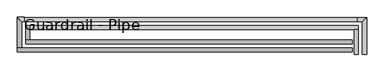
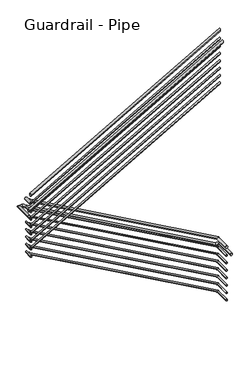
"""IFC4 building model written with IfcOpenShell, lengths in millimetres: railing geometry, Guardrail - Pipe."""

from ifc_helpers import new_model, si_unit, frame, origin, place, context, project, spatial, circle_curve, ellipse_curve, source, transform, mapped, element, save
from ifc_brep_helpers import plane_surface, cylinder_surface, advanced_brep


def guardrail_pipe_84e3a7f3(model_context):
    return source(origin(), model_context, "Body", "AdvancedBrep", [
        advanced_brep(
        [(-10536.8064309, 2520.2151259, 5010.15), (-10574.9064309, 2520.2151259, 5010.15), (-10536.8064309, 2755.1651259, 5010.15), (-10574.9064309, 2755.1651259, 5010.15)],
        [
            (0, 1, circle_curve(frame((-10555.8564309, 2520.2151259, 5010.15), z_axis=(0.0, -1.0, 0.0), x_axis=(-1.0, 0.0, 0.0)), 19.05)),
            (1, 0, circle_curve(frame((-10555.8564309, 2520.2151259, 5010.15), z_axis=(0.0, -1.0, 0.0), x_axis=(-1.0, 0.0, 0.0)), 19.05)),
            (2, 3, circle_curve(frame((-10555.8564309, 2755.1651259, 5010.15), z_axis=(0.0, 1.0, 0.0), x_axis=(-1.0, 0.0, 0.0)), 19.05)),
            (3, 2, circle_curve(frame((-10555.8564309, 2755.1651259, 5010.15), z_axis=(0.0, 1.0, 0.0), x_axis=(-1.0, 0.0, 0.0)), 19.05)),
            (0, 2),
            (3, 1),
        ],
        [
            plane_surface(frame((-10555.8564309, 2520.2151259, 5029.2), z_axis=(0.0, -1.0, 0.0), x_axis=(0.0, 0.0, 1.0))),
            plane_surface(frame((-10555.8564309, 2755.1651259, 5029.2), z_axis=(0.0, 1.0, 0.0), x_axis=(0.0, 0.0, 1.0))),
            cylinder_surface(frame((-10555.8564309, 2520.2151259, 5010.15), z_axis=(0.0, -1.0, 0.0), x_axis=(-1.0, 0.0, 0.0)), 19.05),
        ],
        [
            (0, [[1, 2]]),
            (1, [[3, 4]]),
            (2, [[-1, 5, -4, 6]]),
            (2, [[-2, -6, -3, -5]]),
        ],
    ),
        advanced_brep(
        [(-10536.8064309, 2793.2651259, 5001.8197382), (-10536.8064309, 2755.1651259, 5001.8197382), (-13625.9612561, 2793.2651259, 6731.7610421), (-13625.9612561, 2755.1651259, 6731.7610421)],
        [
            (0, 1, ellipse_curve(frame((-10536.8064309, 2774.2151259, 5001.8197382), z_axis=(1.0, 0.0, 0.0), x_axis=(0.0, 0.0, -1.0)), 21.8337043, 19.05)),
            (1, 0, ellipse_curve(frame((-10536.8064309, 2774.2151259, 5001.8197382), z_axis=(1.0, 0.0, 0.0), x_axis=(0.0, 0.0, -1.0)), 21.8337043, 19.05)),
            (2, 3, ellipse_curve(frame((-13625.9612561, 2774.2151259, 6731.7610421), z_axis=(-1.0, 0.0, 0.0), x_axis=(0.0, 0.0, -1.0)), 21.8337043, 19.05)),
            (3, 2, ellipse_curve(frame((-13625.9612561, 2774.2151259, 6731.7610421), z_axis=(-1.0, 0.0, 0.0), x_axis=(0.0, 0.0, -1.0)), 21.8337043, 19.05)),
            (0, 2),
            (3, 1),
        ],
        [
            plane_surface(frame((-10536.8064309, 2774.2151259, 5023.6534425), z_axis=(1.0, 0.0, 0.0), x_axis=(0.0, -1.0, 0.0))),
            plane_surface(frame((-13625.9612561, 2774.2151259, 6753.5947464), z_axis=(-1.0, 0.0, 0.0), x_axis=(0.0, -1.0, 0.0))),
            cylinder_surface(frame((-10546.1143849, 2774.2151259, 5007.0322364), z_axis=(0.872504257784097, 0.0, -0.48860650850006293), x_axis=(0.0, -1.0, 0.0)), 19.05),
        ],
        [
            (0, [[1, 2]]),
            (1, [[3, 4]]),
            (2, [[-1, 5, -4, 6]]),
            (2, [[-2, -6, -3, -5]]),
        ],
    ),
        advanced_brep(
        [(-13664.0612561, 2793.2651259, 6759.4369565), (-13625.9612561, 2793.2651259, 6759.4369565), (-13664.0612561, 2656.0904418, 6759.4369565), (-13625.9612561, 2656.0904418, 6759.4369565)],
        [
            (0, 1, circle_curve(frame((-13645.0112561, 2793.2651259, 6759.4369565), z_axis=(0.0, 1.0, 0.0), x_axis=(1.0, 0.0, 0.0)), 19.05)),
            (1, 0, circle_curve(frame((-13645.0112561, 2793.2651259, 6759.4369565), z_axis=(0.0, 1.0, 0.0), x_axis=(1.0, 0.0, 0.0)), 19.05)),
            (2, 3, circle_curve(frame((-13645.0112561, 2656.0904418, 6759.4369565), z_axis=(0.0, -1.0, 0.0), x_axis=(1.0, 0.0, 0.0)), 19.05)),
            (3, 2, circle_curve(frame((-13645.0112561, 2656.0904418, 6759.4369565), z_axis=(0.0, -1.0, 0.0), x_axis=(1.0, 0.0, 0.0)), 19.05)),
            (0, 2),
            (3, 1),
        ],
        [
            plane_surface(frame((-13645.0112561, 2793.2651259, 6778.4869565), z_axis=(0.0, 1.0, 0.0), x_axis=(0.0, 0.0, -1.0))),
            plane_surface(frame((-13645.0112561, 2656.0904418, 6778.4869565), z_axis=(0.0, -1.0, 0.0), x_axis=(0.0, 0.0, -1.0))),
            cylinder_surface(frame((-13645.0112561, 2793.2651259, 6759.4369565), z_axis=(0.0, 1.0, 0.0), x_axis=(1.0, 0.0, 0.0)), 19.05),
        ],
        [
            (0, [[1, 2]]),
            (1, [[3, 4]]),
            (2, [[-1, 5, -4, 6]]),
            (2, [[-2, -6, -3, -5]]),
        ],
    ),
        advanced_brep(
        [(-13664.0612561, 2617.9904418, 6919.2077294), (-13664.0612561, 2656.0904418, 6919.2077294), (-10597.0112561, 2617.9904418, 8664.8804567), (-10597.0112561, 2656.0904418, 8664.8804567)],
        [
            (0, 1, ellipse_curve(frame((-13664.0612561, 2637.0404418, 6919.2077294), z_axis=(-1.0, 0.0, 0.0), x_axis=(0.0, 0.0, -1.0)), 21.9195433, 19.05)),
            (1, 0, ellipse_curve(frame((-13664.0612561, 2637.0404418, 6919.2077294), z_axis=(-1.0, 0.0, 0.0), x_axis=(0.0, 0.0, -1.0)), 21.9195433, 19.05)),
            (2, 3, ellipse_curve(frame((-10597.0112561, 2637.0404418, 8664.8804567), z_axis=(1.0, 0.0, 0.0), x_axis=(0.0, 0.0, -1.0)), 21.9195433, 19.05)),
            (3, 2, ellipse_curve(frame((-10597.0112561, 2637.0404418, 8664.8804567), z_axis=(1.0, 0.0, 0.0), x_axis=(0.0, 0.0, -1.0)), 21.9195433, 19.05)),
            (0, 2),
            (3, 1),
        ],
        [
            plane_surface(frame((-13664.0612561, 2637.0404418, 6941.1272727), z_axis=(-1.0, 0.0, 0.0), x_axis=(0.0, 1.0, 0.0))),
            plane_surface(frame((-10597.0112561, 2637.0404418, 8686.8), z_axis=(1.0, 0.0, 0.0), x_axis=(0.0, 1.0, 0.0))),
            cylinder_surface(frame((-13654.6380123, 2637.0404418, 6924.5711568), z_axis=(-0.8690874511905761, 0.0, -0.4946584702429223), x_axis=(0.0, 1.0, 0.0)), 19.05),
        ],
        [
            (0, [[1, 2]]),
            (1, [[3, 4]]),
            (2, [[-1, 5, -4, 6]]),
            (2, [[-2, -6, -3, -5]]),
        ],
    ),
        advanced_brep(
        [(-10543.1564309, 2520.2151259, 4864.1), (-10568.5564309, 2520.2151259, 4864.1), (-10543.1564309, 2761.5151259, 4864.1), (-10568.5564309, 2761.5151259, 4864.1)],
        [
            (0, 1, circle_curve(frame((-10555.8564309, 2520.2151259, 4864.1), z_axis=(0.0, -1.0, 0.0), x_axis=(-1.0, 0.0, 0.0)), 12.7)),
            (1, 0, circle_curve(frame((-10555.8564309, 2520.2151259, 4864.1), z_axis=(0.0, -1.0, 0.0), x_axis=(-1.0, 0.0, 0.0)), 12.7)),
            (2, 3, circle_curve(frame((-10555.8564309, 2761.5151259, 4864.1), z_axis=(0.0, 1.0, 0.0), x_axis=(-1.0, 0.0, 0.0)), 12.7)),
            (3, 2, circle_curve(frame((-10555.8564309, 2761.5151259, 4864.1), z_axis=(0.0, 1.0, 0.0), x_axis=(-1.0, 0.0, 0.0)), 12.7)),
            (0, 2),
            (3, 1),
        ],
        [
            plane_surface(frame((-10555.8564309, 2520.2151259, 4876.8), z_axis=(0.0, -1.0, 0.0), x_axis=(0.0, 0.0, 1.0))),
            plane_surface(frame((-10555.8564309, 2761.5151259, 4876.8), z_axis=(0.0, 1.0, 0.0), x_axis=(0.0, 0.0, 1.0))),
            cylinder_surface(frame((-10555.8564309, 2520.2151259, 4864.1), z_axis=(0.0, -1.0, 0.0), x_axis=(-1.0, 0.0, 0.0)), 12.7),
        ],
        [
            (0, [[1, 2]]),
            (1, [[3, 4]]),
            (2, [[-1, 5, -4, 6]]),
            (2, [[-2, -6, -3, -5]]),
        ],
    ),
        advanced_brep(
        [(-10543.1564309, 2786.9151259, 4860.2536697), (-10543.1564309, 2761.5151259, 4860.2536697), (-13632.3112561, 2786.9151259, 6590.1949735), (-13632.3112561, 2761.5151259, 6590.1949735)],
        [
            (0, 1, ellipse_curve(frame((-10543.1564309, 2774.2151259, 4860.2536697), z_axis=(1.0, 0.0, 0.0), x_axis=(0.0, 0.0, -1.0)), 14.5558029, 12.7)),
            (1, 0, ellipse_curve(frame((-10543.1564309, 2774.2151259, 4860.2536697), z_axis=(1.0, 0.0, 0.0), x_axis=(0.0, 0.0, -1.0)), 14.5558029, 12.7)),
            (2, 3, ellipse_curve(frame((-13632.3112561, 2774.2151259, 6590.1949735), z_axis=(-1.0, 0.0, 0.0), x_axis=(0.0, 0.0, -1.0)), 14.5558029, 12.7)),
            (3, 2, ellipse_curve(frame((-13632.3112561, 2774.2151259, 6590.1949735), z_axis=(-1.0, 0.0, 0.0), x_axis=(0.0, 0.0, -1.0)), 14.5558029, 12.7)),
            (0, 2),
            (3, 1),
        ],
        [
            plane_surface(frame((-10543.1564309, 2774.2151259, 4874.8094726), z_axis=(1.0, 0.0, 0.0), x_axis=(0.0, -1.0, 0.0))),
            plane_surface(frame((-13632.3112561, 2774.2151259, 6604.7507764), z_axis=(-1.0, 0.0, 0.0), x_axis=(0.0, -1.0, 0.0))),
            cylinder_surface(frame((-10549.3617336, 2774.2151259, 4863.7286685), z_axis=(0.872504257784097, 0.0, -0.48860650850006293), x_axis=(0.0, -1.0, 0.0)), 12.7),
        ],
        [
            (0, [[1, 2]]),
            (1, [[3, 4]]),
            (2, [[-1, 5, -4, 6]]),
            (2, [[-2, -6, -3, -5]]),
        ],
    ),
        advanced_brep(
        [(-13657.7112561, 2786.9151259, 6613.3869565), (-13632.3112561, 2786.9151259, 6613.3869565), (-13657.7112561, 2649.7404418, 6613.3869565), (-13632.3112561, 2649.7404418, 6613.3869565)],
        [
            (0, 1, circle_curve(frame((-13645.0112561, 2786.9151259, 6613.3869565), z_axis=(0.0, 1.0, 0.0), x_axis=(1.0, 0.0, 0.0)), 12.7)),
            (1, 0, circle_curve(frame((-13645.0112561, 2786.9151259, 6613.3869565), z_axis=(0.0, 1.0, 0.0), x_axis=(1.0, 0.0, 0.0)), 12.7)),
            (2, 3, circle_curve(frame((-13645.0112561, 2649.7404418, 6613.3869565), z_axis=(0.0, -1.0, 0.0), x_axis=(1.0, 0.0, 0.0)), 12.7)),
            (3, 2, circle_curve(frame((-13645.0112561, 2649.7404418, 6613.3869565), z_axis=(0.0, -1.0, 0.0), x_axis=(1.0, 0.0, 0.0)), 12.7)),
            (0, 2),
            (3, 1),
        ],
        [
            plane_surface(frame((-13645.0112561, 2786.9151259, 6626.0869565), z_axis=(0.0, 1.0, 0.0), x_axis=(0.0, 0.0, -1.0))),
            plane_surface(frame((-13645.0112561, 2649.7404418, 6626.0869565), z_axis=(0.0, -1.0, 0.0), x_axis=(0.0, 0.0, -1.0))),
            cylinder_surface(frame((-13645.0112561, 2786.9151259, 6613.3869565), z_axis=(0.0, 1.0, 0.0), x_axis=(1.0, 0.0, 0.0)), 12.7),
        ],
        [
            (0, [[1, 2]]),
            (1, [[3, 4]]),
            (2, [[-1, 5, -4, 6]]),
            (2, [[-2, -6, -3, -5]]),
        ],
    ),
        advanced_brep(
        [(-13657.7112561, 2624.3404418, 6777.7284731), (-13657.7112561, 2649.7404418, 6777.7284731), (-10597.0112561, 2624.3404418, 8519.7869711), (-10597.0112561, 2649.7404418, 8519.7869711)],
        [
            (0, 1, ellipse_curve(frame((-13657.7112561, 2637.0404418, 6777.7284731), z_axis=(-1.0, 0.0, 0.0), x_axis=(0.0, 0.0, -1.0)), 14.6130289, 12.7)),
            (1, 0, ellipse_curve(frame((-13657.7112561, 2637.0404418, 6777.7284731), z_axis=(-1.0, 0.0, 0.0), x_axis=(0.0, 0.0, -1.0)), 14.6130289, 12.7)),
            (2, 3, ellipse_curve(frame((-10597.0112561, 2637.0404418, 8519.7869711), z_axis=(1.0, 0.0, 0.0), x_axis=(0.0, 0.0, -1.0)), 14.6130289, 12.7)),
            (3, 2, ellipse_curve(frame((-10597.0112561, 2637.0404418, 8519.7869711), z_axis=(1.0, 0.0, 0.0), x_axis=(0.0, 0.0, -1.0)), 14.6130289, 12.7)),
            (0, 2),
            (3, 1),
        ],
        [
            plane_surface(frame((-13657.7112561, 2637.0404418, 6792.341502), z_axis=(-1.0, 0.0, 0.0), x_axis=(0.0, 1.0, 0.0))),
            plane_surface(frame((-10597.0112561, 2637.0404418, 8534.4), z_axis=(1.0, 0.0, 0.0), x_axis=(0.0, 1.0, 0.0))),
            cylinder_surface(frame((-13651.4290936, 2637.0404418, 6781.3040913), z_axis=(-0.8690874511905761, 0.0, -0.4946584702429223), x_axis=(0.0, 1.0, 0.0)), 12.7),
        ],
        [
            (0, [[1, 2]]),
            (1, [[3, 4]]),
            (2, [[-1, 5, -4, 6]]),
            (2, [[-2, -6, -3, -5]]),
        ],
    ),
        advanced_brep(
        [(-10460.6064309, 2520.2151259, 4857.75), (-10498.7064309, 2520.2151259, 4857.75), (-10460.6064309, 2869.4651259, 4857.75), (-10498.7064309, 2831.3651259, 4857.75), (-10551.6817729, 2869.4651259, 4857.75), (-10551.6817729, 2831.3651259, 4857.75), (-13675.3821148, 2869.4651259, 6607.0369565), (-13675.3821148, 2831.3651259, 6607.0369565), (-13740.2612561, 2869.4651259, 6607.0369565), (-13702.1612561, 2831.3651259, 6607.0369565), (-13740.2612561, 2579.8904418, 6607.0369565), (-13702.1612561, 2579.8904418, 6607.0369565)],
        [
            (0, 1, circle_curve(frame((-10479.6564309, 2520.2151259, 4857.75), z_axis=(0.0, -1.0, 0.0), x_axis=(-1.0, 0.0, 0.0)), 19.05)),
            (1, 0, circle_curve(frame((-10479.6564309, 2520.2151259, 4857.75), z_axis=(0.0, -1.0, 0.0), x_axis=(-1.0, 0.0, 0.0)), 19.05)),
            (0, 2),
            (2, 3, ellipse_curve(frame((-10479.6564309, 2850.4151259, 4857.75), z_axis=(0.7071067811865462, -0.7071067811865488, 0.0), x_axis=(-0.7071067811865488, -0.7071067811865462, 0.0)), 26.9407684, 19.05)),
            (3, 1),
            (3, 2, ellipse_curve(frame((-10479.6564309, 2850.4151259, 4857.75), z_axis=(0.7071067811865462, -0.7071067811865488, 0.0), x_axis=(-0.7071067811865488, -0.7071067811865462, 0.0)), 26.9407684, 19.05)),
            (2, 4),
            (4, 5, ellipse_curve(frame((-10551.6817729, 2850.4151259, 4857.75), z_axis=(0.9676012241063199, 0.0, -0.25248340758939297), x_axis=(0.2524834075893922, 0.0, 0.96760122410632)), 19.6878626, 19.05)),
            (5, 3),
            (5, 4, ellipse_curve(frame((-10551.6817729, 2850.4151259, 4857.75), z_axis=(0.9676012241063199, 0.0, -0.25248340758939297), x_axis=(0.2524834075893922, 0.0, 0.96760122410632)), 19.6878626, 19.05)),
            (4, 6),
            (6, 7, ellipse_curve(frame((-13675.3821148, 2850.4151259, 6607.0369565), z_axis=(0.9676012241063199, 0.0, -0.252483407589393), x_axis=(-0.2524834075893939, 0.0, -0.9676012241063194)), 19.6878626, 19.05)),
            (7, 5),
            (7, 6, ellipse_curve(frame((-13675.3821148, 2850.4151259, 6607.0369565), z_axis=(0.9676012241063199, 0.0, -0.252483407589393), x_axis=(-0.2524834075893939, 0.0, -0.9676012241063194)), 19.6878626, 19.05)),
            (6, 8),
            (8, 9, ellipse_curve(frame((-13721.2112561, 2850.4151259, 6607.0369565), z_axis=(0.7071067811865452, 0.7071067811865498, 0.0), x_axis=(0.7071067811865498, -0.7071067811865451, 0.0)), 26.9407684, 19.05)),
            (9, 7),
            (9, 8, ellipse_curve(frame((-13721.2112561, 2850.4151259, 6607.0369565), z_axis=(0.7071067811865452, 0.7071067811865498, 0.0), x_axis=(0.7071067811865498, -0.7071067811865451, 0.0)), 26.9407684, 19.05)),
            (10, 11, circle_curve(frame((-13721.2112561, 2579.8904418, 6607.0369565), z_axis=(0.0, -1.0, 0.0), x_axis=(1.0, 0.0, 0.0)), 19.05)),
            (11, 10, circle_curve(frame((-13721.2112561, 2579.8904418, 6607.0369565), z_axis=(0.0, -1.0, 0.0), x_axis=(1.0, 0.0, 0.0)), 19.05)),
            (8, 10),
            (11, 9),
        ],
        [
            plane_surface(frame((-10479.6564309, 2520.2151259, 4876.8), z_axis=(0.0, -1.0, 0.0), x_axis=(0.0, 0.0, 1.0))),
            cylinder_surface(frame((-10479.6564309, 2520.2151259, 4857.75), z_axis=(0.0, -1.0, 0.0), x_axis=(-1.0, 0.0, 0.0)), 19.05),
            cylinder_surface(frame((-10479.6564309, 2850.4151259, 4857.75), z_axis=(1.0, 0.0, 0.0), x_axis=(0.0, -1.0, 0.0)), 19.05),
            cylinder_surface(frame((-10556.0188682, 2850.4151259, 4860.1787939), z_axis=(0.872504257784097, 0.0, -0.488606508500063), x_axis=(0.0, -1.0, 0.0)), 19.05),
            cylinder_surface(frame((-13670.4112561, 2850.4151259, 6607.0369565), z_axis=(1.0, 0.0, 0.0), x_axis=(0.0, -1.0, 0.0)), 19.05),
            plane_surface(frame((-13721.2112561, 2579.8904418, 6626.0869565), z_axis=(0.0, -1.0, 0.0), x_axis=(0.0, 0.0, -1.0))),
            cylinder_surface(frame((-13721.2112561, 2850.4151259, 6607.0369565), z_axis=(0.0, 1.0, 0.0), x_axis=(1.0, 0.0, 0.0)), 19.05),
        ],
        [
            (0, [[1, 2]]),
            (1, [[-1, 3, 4, 5]]),
            (1, [[-2, -5, 6, -3]]),
            (2, [[-4, 7, 8, 9]]),
            (2, [[-6, -9, 10, -7]]),
            (3, [[-8, 11, 12, 13]]),
            (3, [[-10, -13, 14, -11]]),
            (4, [[-12, 15, 16, 17]]),
            (4, [[-14, -17, 18, -15]]),
            (5, [[19, 20]]),
            (6, [[-16, 21, -20, 22]]),
            (6, [[-18, -22, -19, -21]]),
        ],
    ),
        advanced_brep(
        [(-13740.2612561, 2541.7904418, 6723.4369785), (-13740.2612561, 2579.8904418, 6723.4369785), (-10597.0112561, 2541.7904418, 8512.4804567), (-10597.0112561, 2579.8904418, 8512.4804567)],
        [
            (0, 1, ellipse_curve(frame((-13740.2612561, 2560.8404418, 6723.4369785), z_axis=(-1.0, 0.0, 0.0), x_axis=(0.0, 0.0, -1.0)), 21.9195433, 19.05)),
            (1, 0, ellipse_curve(frame((-13740.2612561, 2560.8404418, 6723.4369785), z_axis=(-1.0, 0.0, 0.0), x_axis=(0.0, 0.0, -1.0)), 21.9195433, 19.05)),
            (2, 3, ellipse_curve(frame((-10597.0112561, 2560.8404418, 8512.4804567), z_axis=(1.0, 0.0, 0.0), x_axis=(0.0, 0.0, -1.0)), 21.9195433, 19.05)),
            (3, 2, ellipse_curve(frame((-10597.0112561, 2560.8404418, 8512.4804567), z_axis=(1.0, 0.0, 0.0), x_axis=(0.0, 0.0, -1.0)), 21.9195433, 19.05)),
            (0, 2),
            (3, 1),
        ],
        [
            plane_surface(frame((-13740.2612561, 2560.8404418, 6745.3565217), z_axis=(-1.0, 0.0, 0.0), x_axis=(0.0, 1.0, 0.0))),
            plane_surface(frame((-10597.0112561, 2560.8404418, 8534.4), z_axis=(1.0, 0.0, 0.0), x_axis=(0.0, 1.0, 0.0))),
            cylinder_surface(frame((-13730.8380123, 2560.8404418, 6728.8004058), z_axis=(-0.869087451190576, 0.0, -0.4946584702429226), x_axis=(0.0, 1.0, 0.0)), 19.05),
        ],
        [
            (0, [[1, 2]]),
            (1, [[3, 4]]),
            (2, [[-1, 5, -4, 6]]),
            (2, [[-2, -6, -3, -5]]),
        ],
    ),
        advanced_brep(
        [(-10543.1564309, 2520.2151259, 4737.1), (-10568.5564309, 2520.2151259, 4737.1), (-10543.1564309, 2761.5151259, 4737.1), (-10568.5564309, 2761.5151259, 4737.1)],
        [
            (0, 1, circle_curve(frame((-10555.8564309, 2520.2151259, 4737.1), z_axis=(0.0, -1.0, 0.0), x_axis=(-1.0, 0.0, 0.0)), 12.7)),
            (1, 0, circle_curve(frame((-10555.8564309, 2520.2151259, 4737.1), z_axis=(0.0, -1.0, 0.0), x_axis=(-1.0, 0.0, 0.0)), 12.7)),
            (2, 3, circle_curve(frame((-10555.8564309, 2761.5151259, 4737.1), z_axis=(0.0, 1.0, 0.0), x_axis=(-1.0, 0.0, 0.0)), 12.7)),
            (3, 2, circle_curve(frame((-10555.8564309, 2761.5151259, 4737.1), z_axis=(0.0, 1.0, 0.0), x_axis=(-1.0, 0.0, 0.0)), 12.7)),
            (0, 2),
            (3, 1),
        ],
        [
            plane_surface(frame((-10555.8564309, 2520.2151259, 4749.8), z_axis=(0.0, -1.0, 0.0), x_axis=(0.0, 0.0, 1.0))),
            plane_surface(frame((-10555.8564309, 2761.5151259, 4749.8), z_axis=(0.0, 1.0, 0.0), x_axis=(0.0, 0.0, 1.0))),
            cylinder_surface(frame((-10555.8564309, 2520.2151259, 4737.1), z_axis=(0.0, -1.0, 0.0), x_axis=(-1.0, 0.0, 0.0)), 12.7),
        ],
        [
            (0, [[1, 2]]),
            (1, [[3, 4]]),
            (2, [[-1, 5, -4, 6]]),
            (2, [[-2, -6, -3, -5]]),
        ],
    ),
        advanced_brep(
        [(-10543.1564309, 2786.9151259, 4733.2536697), (-10543.1564309, 2761.5151259, 4733.2536697), (-13632.3112561, 2786.9151259, 6463.1949735), (-13632.3112561, 2761.5151259, 6463.1949735)],
        [
            (0, 1, ellipse_curve(frame((-10543.1564309, 2774.2151259, 4733.2536697), z_axis=(1.0, 0.0, 0.0), x_axis=(0.0, 0.0, -1.0)), 14.5558029, 12.7)),
            (1, 0, ellipse_curve(frame((-10543.1564309, 2774.2151259, 4733.2536697), z_axis=(1.0, 0.0, 0.0), x_axis=(0.0, 0.0, -1.0)), 14.5558029, 12.7)),
            (2, 3, ellipse_curve(frame((-13632.3112561, 2774.2151259, 6463.1949735), z_axis=(-1.0, 0.0, 0.0), x_axis=(0.0, 0.0, -1.0)), 14.5558029, 12.7)),
            (3, 2, ellipse_curve(frame((-13632.3112561, 2774.2151259, 6463.1949735), z_axis=(-1.0, 0.0, 0.0), x_axis=(0.0, 0.0, -1.0)), 14.5558029, 12.7)),
            (0, 2),
            (3, 1),
        ],
        [
            plane_surface(frame((-10543.1564309, 2774.2151259, 4747.8094726), z_axis=(1.0, 0.0, 0.0), x_axis=(0.0, -1.0, 0.0))),
            plane_surface(frame((-13632.3112561, 2774.2151259, 6477.7507764), z_axis=(-1.0, 0.0, 0.0), x_axis=(0.0, -1.0, 0.0))),
            cylinder_surface(frame((-10549.3617336, 2774.2151259, 4736.7286685), z_axis=(0.872504257784097, 0.0, -0.48860650850006293), x_axis=(0.0, -1.0, 0.0)), 12.7),
        ],
        [
            (0, [[1, 2]]),
            (1, [[3, 4]]),
            (2, [[-1, 5, -4, 6]]),
            (2, [[-2, -6, -3, -5]]),
        ],
    ),
        advanced_brep(
        [(-13657.7112561, 2786.9151259, 6486.3869565), (-13632.3112561, 2786.9151259, 6486.3869565), (-13657.7112561, 2649.7404418, 6486.3869565), (-13632.3112561, 2649.7404418, 6486.3869565)],
        [
            (0, 1, circle_curve(frame((-13645.0112561, 2786.9151259, 6486.3869565), z_axis=(0.0, 1.0, 0.0), x_axis=(1.0, 0.0, 0.0)), 12.7)),
            (1, 0, circle_curve(frame((-13645.0112561, 2786.9151259, 6486.3869565), z_axis=(0.0, 1.0, 0.0), x_axis=(1.0, 0.0, 0.0)), 12.7)),
            (2, 3, circle_curve(frame((-13645.0112561, 2649.7404418, 6486.3869565), z_axis=(0.0, -1.0, 0.0), x_axis=(1.0, 0.0, 0.0)), 12.7)),
            (3, 2, circle_curve(frame((-13645.0112561, 2649.7404418, 6486.3869565), z_axis=(0.0, -1.0, 0.0), x_axis=(1.0, 0.0, 0.0)), 12.7)),
            (0, 2),
            (3, 1),
        ],
        [
            plane_surface(frame((-13645.0112561, 2786.9151259, 6499.0869565), z_axis=(0.0, 1.0, 0.0), x_axis=(0.0, 0.0, -1.0))),
            plane_surface(frame((-13645.0112561, 2649.7404418, 6499.0869565), z_axis=(0.0, -1.0, 0.0), x_axis=(0.0, 0.0, -1.0))),
            cylinder_surface(frame((-13645.0112561, 2786.9151259, 6486.3869565), z_axis=(0.0, 1.0, 0.0), x_axis=(1.0, 0.0, 0.0)), 12.7),
        ],
        [
            (0, [[1, 2]]),
            (1, [[3, 4]]),
            (2, [[-1, 5, -4, 6]]),
            (2, [[-2, -6, -3, -5]]),
        ],
    ),
        advanced_brep(
        [(-13657.7112561, 2624.3404418, 6650.7284731), (-13657.7112561, 2649.7404418, 6650.7284731), (-10597.0112561, 2624.3404418, 8392.7869711), (-10597.0112561, 2649.7404418, 8392.7869711)],
        [
            (0, 1, ellipse_curve(frame((-13657.7112561, 2637.0404418, 6650.7284731), z_axis=(-1.0, 0.0, 0.0), x_axis=(0.0, 0.0, -1.0)), 14.6130289, 12.7)),
            (1, 0, ellipse_curve(frame((-13657.7112561, 2637.0404418, 6650.7284731), z_axis=(-1.0, 0.0, 0.0), x_axis=(0.0, 0.0, -1.0)), 14.6130289, 12.7)),
            (2, 3, ellipse_curve(frame((-10597.0112561, 2637.0404418, 8392.7869711), z_axis=(1.0, 0.0, 0.0), x_axis=(0.0, 0.0, -1.0)), 14.6130289, 12.7)),
            (3, 2, ellipse_curve(frame((-10597.0112561, 2637.0404418, 8392.7869711), z_axis=(1.0, 0.0, 0.0), x_axis=(0.0, 0.0, -1.0)), 14.6130289, 12.7)),
            (0, 2),
            (3, 1),
        ],
        [
            plane_surface(frame((-13657.7112561, 2637.0404418, 6665.341502), z_axis=(-1.0, 0.0, 0.0), x_axis=(0.0, 1.0, 0.0))),
            plane_surface(frame((-10597.0112561, 2637.0404418, 8407.4), z_axis=(1.0, 0.0, 0.0), x_axis=(0.0, 1.0, 0.0))),
            cylinder_surface(frame((-13651.4290936, 2637.0404418, 6654.3040913), z_axis=(-0.8690874511905761, 0.0, -0.4946584702429223), x_axis=(0.0, 1.0, 0.0)), 12.7),
        ],
        [
            (0, [[1, 2]]),
            (1, [[3, 4]]),
            (2, [[-1, 5, -4, 6]]),
            (2, [[-2, -6, -3, -5]]),
        ],
    ),
        advanced_brep(
        [(-10543.1564309, 2520.2151259, 4610.1), (-10568.5564309, 2520.2151259, 4610.1), (-10543.1564309, 2761.5151259, 4610.1), (-10568.5564309, 2761.5151259, 4610.1)],
        [
            (0, 1, circle_curve(frame((-10555.8564309, 2520.2151259, 4610.1), z_axis=(0.0, -1.0, 0.0), x_axis=(-1.0, 0.0, 0.0)), 12.7)),
            (1, 0, circle_curve(frame((-10555.8564309, 2520.2151259, 4610.1), z_axis=(0.0, -1.0, 0.0), x_axis=(-1.0, 0.0, 0.0)), 12.7)),
            (2, 3, circle_curve(frame((-10555.8564309, 2761.5151259, 4610.1), z_axis=(0.0, 1.0, 0.0), x_axis=(-1.0, 0.0, 0.0)), 12.7)),
            (3, 2, circle_curve(frame((-10555.8564309, 2761.5151259, 4610.1), z_axis=(0.0, 1.0, 0.0), x_axis=(-1.0, 0.0, 0.0)), 12.7)),
            (0, 2),
            (3, 1),
        ],
        [
            plane_surface(frame((-10555.8564309, 2520.2151259, 4622.8), z_axis=(0.0, -1.0, 0.0), x_axis=(0.0, 0.0, 1.0))),
            plane_surface(frame((-10555.8564309, 2761.5151259, 4622.8), z_axis=(0.0, 1.0, 0.0), x_axis=(0.0, 0.0, 1.0))),
            cylinder_surface(frame((-10555.8564309, 2520.2151259, 4610.1), z_axis=(0.0, -1.0, 0.0), x_axis=(-1.0, 0.0, 0.0)), 12.7),
        ],
        [
            (0, [[1, 2]]),
            (1, [[3, 4]]),
            (2, [[-1, 5, -4, 6]]),
            (2, [[-2, -6, -3, -5]]),
        ],
    ),
        advanced_brep(
        [(-10543.1564309, 2786.9151259, 4606.2536697), (-10543.1564309, 2761.5151259, 4606.2536697), (-13632.3112561, 2786.9151259, 6336.1949735), (-13632.3112561, 2761.5151259, 6336.1949735)],
        [
            (0, 1, ellipse_curve(frame((-10543.1564309, 2774.2151259, 4606.2536697), z_axis=(1.0, 0.0, 0.0), x_axis=(0.0, 0.0, -1.0)), 14.5558029, 12.7)),
            (1, 0, ellipse_curve(frame((-10543.1564309, 2774.2151259, 4606.2536697), z_axis=(1.0, 0.0, 0.0), x_axis=(0.0, 0.0, -1.0)), 14.5558029, 12.7)),
            (2, 3, ellipse_curve(frame((-13632.3112561, 2774.2151259, 6336.1949735), z_axis=(-1.0, 0.0, 0.0), x_axis=(0.0, 0.0, -1.0)), 14.5558029, 12.7)),
            (3, 2, ellipse_curve(frame((-13632.3112561, 2774.2151259, 6336.1949735), z_axis=(-1.0, 0.0, 0.0), x_axis=(0.0, 0.0, -1.0)), 14.5558029, 12.7)),
            (0, 2),
            (3, 1),
        ],
        [
            plane_surface(frame((-10543.1564309, 2774.2151259, 4620.8094726), z_axis=(1.0, 0.0, 0.0), x_axis=(0.0, -1.0, 0.0))),
            plane_surface(frame((-13632.3112561, 2774.2151259, 6350.7507764), z_axis=(-1.0, 0.0, 0.0), x_axis=(0.0, -1.0, 0.0))),
            cylinder_surface(frame((-10549.3617336, 2774.2151259, 4609.7286685), z_axis=(0.872504257784097, 0.0, -0.48860650850006304), x_axis=(0.0, -1.0, 0.0)), 12.7),
        ],
        [
            (0, [[1, 2]]),
            (1, [[3, 4]]),
            (2, [[-1, 5, -4, 6]]),
            (2, [[-2, -6, -3, -5]]),
        ],
    ),
        advanced_brep(
        [(-13657.7112561, 2786.9151259, 6359.3869565), (-13632.3112561, 2786.9151259, 6359.3869565), (-13657.7112561, 2649.7404418, 6359.3869565), (-13632.3112561, 2649.7404418, 6359.3869565)],
        [
            (0, 1, circle_curve(frame((-13645.0112561, 2786.9151259, 6359.3869565), z_axis=(0.0, 1.0, 0.0), x_axis=(1.0, 0.0, 0.0)), 12.7)),
            (1, 0, circle_curve(frame((-13645.0112561, 2786.9151259, 6359.3869565), z_axis=(0.0, 1.0, 0.0), x_axis=(1.0, 0.0, 0.0)), 12.7)),
            (2, 3, circle_curve(frame((-13645.0112561, 2649.7404418, 6359.3869565), z_axis=(0.0, -1.0, 0.0), x_axis=(1.0, 0.0, 0.0)), 12.7)),
            (3, 2, circle_curve(frame((-13645.0112561, 2649.7404418, 6359.3869565), z_axis=(0.0, -1.0, 0.0), x_axis=(1.0, 0.0, 0.0)), 12.7)),
            (0, 2),
            (3, 1),
        ],
        [
            plane_surface(frame((-13645.0112561, 2786.9151259, 6372.0869565), z_axis=(0.0, 1.0, 0.0), x_axis=(0.0, 0.0, -1.0))),
            plane_surface(frame((-13645.0112561, 2649.7404418, 6372.0869565), z_axis=(0.0, -1.0, 0.0), x_axis=(0.0, 0.0, -1.0))),
            cylinder_surface(frame((-13645.0112561, 2786.9151259, 6359.3869565), z_axis=(0.0, 1.0, 0.0), x_axis=(1.0, 0.0, 0.0)), 12.7),
        ],
        [
            (0, [[1, 2]]),
            (1, [[3, 4]]),
            (2, [[-1, 5, -4, 6]]),
            (2, [[-2, -6, -3, -5]]),
        ],
    ),
        advanced_brep(
        [(-13657.7112561, 2624.3404418, 6523.7284731), (-13657.7112561, 2649.7404418, 6523.7284731), (-10597.0112561, 2624.3404418, 8265.7869711), (-10597.0112561, 2649.7404418, 8265.7869711)],
        [
            (0, 1, ellipse_curve(frame((-13657.7112561, 2637.0404418, 6523.7284731), z_axis=(-1.0, 0.0, 0.0), x_axis=(0.0, 0.0, -1.0)), 14.6130289, 12.7)),
            (1, 0, ellipse_curve(frame((-13657.7112561, 2637.0404418, 6523.7284731), z_axis=(-1.0, 0.0, 0.0), x_axis=(0.0, 0.0, -1.0)), 14.6130289, 12.7)),
            (2, 3, ellipse_curve(frame((-10597.0112561, 2637.0404418, 8265.7869711), z_axis=(1.0, 0.0, 0.0), x_axis=(0.0, 0.0, -1.0)), 14.6130289, 12.7)),
            (3, 2, ellipse_curve(frame((-10597.0112561, 2637.0404418, 8265.7869711), z_axis=(1.0, 0.0, 0.0), x_axis=(0.0, 0.0, -1.0)), 14.6130289, 12.7)),
            (0, 2),
            (3, 1),
        ],
        [
            plane_surface(frame((-13657.7112561, 2637.0404418, 6538.341502), z_axis=(-1.0, 0.0, 0.0), x_axis=(0.0, 1.0, 0.0))),
            plane_surface(frame((-10597.0112561, 2637.0404418, 8280.4), z_axis=(1.0, 0.0, 0.0), x_axis=(0.0, 1.0, 0.0))),
            cylinder_surface(frame((-13651.4290936, 2637.0404418, 6527.3040913), z_axis=(-0.8690874511905761, 0.0, -0.4946584702429223), x_axis=(0.0, 1.0, 0.0)), 12.7),
        ],
        [
            (0, [[1, 2]]),
            (1, [[3, 4]]),
            (2, [[-1, 5, -4, 6]]),
            (2, [[-2, -6, -3, -5]]),
        ],
    ),
        advanced_brep(
        [(-10543.1564309, 2520.2151259, 4483.1), (-10568.5564309, 2520.2151259, 4483.1), (-10543.1564309, 2761.5151259, 4483.1), (-10568.5564309, 2761.5151259, 4483.1)],
        [
            (0, 1, circle_curve(frame((-10555.8564309, 2520.2151259, 4483.1), z_axis=(0.0, -1.0, 0.0), x_axis=(-1.0, 0.0, 0.0)), 12.7)),
            (1, 0, circle_curve(frame((-10555.8564309, 2520.2151259, 4483.1), z_axis=(0.0, -1.0, 0.0), x_axis=(-1.0, 0.0, 0.0)), 12.7)),
            (2, 3, circle_curve(frame((-10555.8564309, 2761.5151259, 4483.1), z_axis=(0.0, 1.0, 0.0), x_axis=(-1.0, 0.0, 0.0)), 12.7)),
            (3, 2, circle_curve(frame((-10555.8564309, 2761.5151259, 4483.1), z_axis=(0.0, 1.0, 0.0), x_axis=(-1.0, 0.0, 0.0)), 12.7)),
            (0, 2),
            (3, 1),
        ],
        [
            plane_surface(frame((-10555.8564309, 2520.2151259, 4495.8), z_axis=(0.0, -1.0, 0.0), x_axis=(0.0, 0.0, 1.0))),
            plane_surface(frame((-10555.8564309, 2761.5151259, 4495.8), z_axis=(0.0, 1.0, 0.0), x_axis=(0.0, 0.0, 1.0))),
            cylinder_surface(frame((-10555.8564309, 2520.2151259, 4483.1), z_axis=(0.0, -1.0, 0.0), x_axis=(-1.0, 0.0, 0.0)), 12.7),
        ],
        [
            (0, [[1, 2]]),
            (1, [[3, 4]]),
            (2, [[-1, 5, -4, 6]]),
            (2, [[-2, -6, -3, -5]]),
        ],
    ),
        advanced_brep(
        [(-10543.1564309, 2786.9151259, 4479.2536697), (-10543.1564309, 2761.5151259, 4479.2536697), (-13632.3112561, 2786.9151259, 6209.1949735), (-13632.3112561, 2761.5151259, 6209.1949735)],
        [
            (0, 1, ellipse_curve(frame((-10543.1564309, 2774.2151259, 4479.2536697), z_axis=(1.0, 0.0, 0.0), x_axis=(0.0, 0.0, -1.0)), 14.5558029, 12.7)),
            (1, 0, ellipse_curve(frame((-10543.1564309, 2774.2151259, 4479.2536697), z_axis=(1.0, 0.0, 0.0), x_axis=(0.0, 0.0, -1.0)), 14.5558029, 12.7)),
            (2, 3, ellipse_curve(frame((-13632.3112561, 2774.2151259, 6209.1949735), z_axis=(-1.0, 0.0, 0.0), x_axis=(0.0, 0.0, -1.0)), 14.5558029, 12.7)),
            (3, 2, ellipse_curve(frame((-13632.3112561, 2774.2151259, 6209.1949735), z_axis=(-1.0, 0.0, 0.0), x_axis=(0.0, 0.0, -1.0)), 14.5558029, 12.7)),
            (0, 2),
            (3, 1),
        ],
        [
            plane_surface(frame((-10543.1564309, 2774.2151259, 4493.8094726), z_axis=(1.0, 0.0, 0.0), x_axis=(0.0, -1.0, 0.0))),
            plane_surface(frame((-13632.3112561, 2774.2151259, 6223.7507764), z_axis=(-1.0, 0.0, 0.0), x_axis=(0.0, -1.0, 0.0))),
            cylinder_surface(frame((-10549.3617336, 2774.2151259, 4482.7286685), z_axis=(0.872504257784097, 0.0, -0.48860650850006293), x_axis=(0.0, -1.0, 0.0)), 12.7),
        ],
        [
            (0, [[1, 2]]),
            (1, [[3, 4]]),
            (2, [[-1, 5, -4, 6]]),
            (2, [[-2, -6, -3, -5]]),
        ],
    ),
        advanced_brep(
        [(-13657.7112561, 2786.9151259, 6232.3869565), (-13632.3112561, 2786.9151259, 6232.3869565), (-13657.7112561, 2649.7404418, 6232.3869565), (-13632.3112561, 2649.7404418, 6232.3869565)],
        [
            (0, 1, circle_curve(frame((-13645.0112561, 2786.9151259, 6232.3869565), z_axis=(0.0, 1.0, 0.0), x_axis=(1.0, 0.0, 0.0)), 12.7)),
            (1, 0, circle_curve(frame((-13645.0112561, 2786.9151259, 6232.3869565), z_axis=(0.0, 1.0, 0.0), x_axis=(1.0, 0.0, 0.0)), 12.7)),
            (2, 3, circle_curve(frame((-13645.0112561, 2649.7404418, 6232.3869565), z_axis=(0.0, -1.0, 0.0), x_axis=(1.0, 0.0, 0.0)), 12.7)),
            (3, 2, circle_curve(frame((-13645.0112561, 2649.7404418, 6232.3869565), z_axis=(0.0, -1.0, 0.0), x_axis=(1.0, 0.0, 0.0)), 12.7)),
            (0, 2),
            (3, 1),
        ],
        [
            plane_surface(frame((-13645.0112561, 2786.9151259, 6245.0869565), z_axis=(0.0, 1.0, 0.0), x_axis=(0.0, 0.0, -1.0))),
            plane_surface(frame((-13645.0112561, 2649.7404418, 6245.0869565), z_axis=(0.0, -1.0, 0.0), x_axis=(0.0, 0.0, -1.0))),
            cylinder_surface(frame((-13645.0112561, 2786.9151259, 6232.3869565), z_axis=(0.0, 1.0, 0.0), x_axis=(1.0, 0.0, 0.0)), 12.7),
        ],
        [
            (0, [[1, 2]]),
            (1, [[3, 4]]),
            (2, [[-1, 5, -4, 6]]),
            (2, [[-2, -6, -3, -5]]),
        ],
    ),
        advanced_brep(
        [(-13657.7112561, 2624.3404418, 6396.7284731), (-13657.7112561, 2649.7404418, 6396.7284731), (-10597.0112561, 2624.3404418, 8138.7869711), (-10597.0112561, 2649.7404418, 8138.7869711)],
        [
            (0, 1, ellipse_curve(frame((-13657.7112561, 2637.0404418, 6396.7284731), z_axis=(-1.0, 0.0, 0.0), x_axis=(0.0, 0.0, -1.0)), 14.6130289, 12.7)),
            (1, 0, ellipse_curve(frame((-13657.7112561, 2637.0404418, 6396.7284731), z_axis=(-1.0, 0.0, 0.0), x_axis=(0.0, 0.0, -1.0)), 14.6130289, 12.7)),
            (2, 3, ellipse_curve(frame((-10597.0112561, 2637.0404418, 8138.7869711), z_axis=(1.0, 0.0, 0.0), x_axis=(0.0, 0.0, -1.0)), 14.6130289, 12.7)),
            (3, 2, ellipse_curve(frame((-10597.0112561, 2637.0404418, 8138.7869711), z_axis=(1.0, 0.0, 0.0), x_axis=(0.0, 0.0, -1.0)), 14.6130289, 12.7)),
            (0, 2),
            (3, 1),
        ],
        [
            plane_surface(frame((-13657.7112561, 2637.0404418, 6411.341502), z_axis=(-1.0, 0.0, 0.0), x_axis=(0.0, 1.0, 0.0))),
            plane_surface(frame((-10597.0112561, 2637.0404418, 8153.4), z_axis=(1.0, 0.0, 0.0), x_axis=(0.0, 1.0, 0.0))),
            cylinder_surface(frame((-13651.4290936, 2637.0404418, 6400.3040913), z_axis=(-0.8690874511905761, 0.0, -0.4946584702429223), x_axis=(0.0, 1.0, 0.0)), 12.7),
        ],
        [
            (0, [[1, 2]]),
            (1, [[3, 4]]),
            (2, [[-1, 5, -4, 6]]),
            (2, [[-2, -6, -3, -5]]),
        ],
    ),
        advanced_brep(
        [(-10543.1564309, 2520.2151259, 4356.1), (-10568.5564309, 2520.2151259, 4356.1), (-10543.1564309, 2761.5151259, 4356.1), (-10568.5564309, 2761.5151259, 4356.1)],
        [
            (0, 1, circle_curve(frame((-10555.8564309, 2520.2151259, 4356.1), z_axis=(0.0, -1.0, 0.0), x_axis=(-1.0, 0.0, 0.0)), 12.7)),
            (1, 0, circle_curve(frame((-10555.8564309, 2520.2151259, 4356.1), z_axis=(0.0, -1.0, 0.0), x_axis=(-1.0, 0.0, 0.0)), 12.7)),
            (2, 3, circle_curve(frame((-10555.8564309, 2761.5151259, 4356.1), z_axis=(0.0, 1.0, 0.0), x_axis=(-1.0, 0.0, 0.0)), 12.7)),
            (3, 2, circle_curve(frame((-10555.8564309, 2761.5151259, 4356.1), z_axis=(0.0, 1.0, 0.0), x_axis=(-1.0, 0.0, 0.0)), 12.7)),
            (0, 2),
            (3, 1),
        ],
        [
            plane_surface(frame((-10555.8564309, 2520.2151259, 4368.8), z_axis=(0.0, -1.0, 0.0), x_axis=(0.0, 0.0, 1.0))),
            plane_surface(frame((-10555.8564309, 2761.5151259, 4368.8), z_axis=(0.0, 1.0, 0.0), x_axis=(0.0, 0.0, 1.0))),
            cylinder_surface(frame((-10555.8564309, 2520.2151259, 4356.1), z_axis=(0.0, -1.0, 0.0), x_axis=(-1.0, 0.0, 0.0)), 12.7),
        ],
        [
            (0, [[1, 2]]),
            (1, [[3, 4]]),
            (2, [[-1, 5, -4, 6]]),
            (2, [[-2, -6, -3, -5]]),
        ],
    ),
        advanced_brep(
        [(-10543.1564309, 2786.9151259, 4352.2536697), (-10543.1564309, 2761.5151259, 4352.2536697), (-13632.3112561, 2786.9151259, 6082.1949735), (-13632.3112561, 2761.5151259, 6082.1949735)],
        [
            (0, 1, ellipse_curve(frame((-10543.1564309, 2774.2151259, 4352.2536697), z_axis=(1.0, 0.0, 0.0), x_axis=(0.0, 0.0, -1.0)), 14.5558029, 12.7)),
            (1, 0, ellipse_curve(frame((-10543.1564309, 2774.2151259, 4352.2536697), z_axis=(1.0, 0.0, 0.0), x_axis=(0.0, 0.0, -1.0)), 14.5558029, 12.7)),
            (2, 3, ellipse_curve(frame((-13632.3112561, 2774.2151259, 6082.1949735), z_axis=(-1.0, 0.0, 0.0), x_axis=(0.0, 0.0, -1.0)), 14.5558029, 12.7)),
            (3, 2, ellipse_curve(frame((-13632.3112561, 2774.2151259, 6082.1949735), z_axis=(-1.0, 0.0, 0.0), x_axis=(0.0, 0.0, -1.0)), 14.5558029, 12.7)),
            (0, 2),
            (3, 1),
        ],
        [
            plane_surface(frame((-10543.1564309, 2774.2151259, 4366.8094726), z_axis=(1.0, 0.0, 0.0), x_axis=(0.0, -1.0, 0.0))),
            plane_surface(frame((-13632.3112561, 2774.2151259, 6096.7507764), z_axis=(-1.0, 0.0, 0.0), x_axis=(0.0, -1.0, 0.0))),
            cylinder_surface(frame((-10549.3617336, 2774.2151259, 4355.7286685), z_axis=(0.8725042577840971, 0.0, -0.4886065085000628), x_axis=(0.0, -1.0, 0.0)), 12.7),
        ],
        [
            (0, [[1, 2]]),
            (1, [[3, 4]]),
            (2, [[-1, 5, -4, 6]]),
            (2, [[-2, -6, -3, -5]]),
        ],
    ),
        advanced_brep(
        [(-13657.7112561, 2786.9151259, 6105.3869565), (-13632.3112561, 2786.9151259, 6105.3869565), (-13657.7112561, 2649.7404418, 6105.3869565), (-13632.3112561, 2649.7404418, 6105.3869565)],
        [
            (0, 1, circle_curve(frame((-13645.0112561, 2786.9151259, 6105.3869565), z_axis=(0.0, 1.0, 0.0), x_axis=(1.0, 0.0, 0.0)), 12.7)),
            (1, 0, circle_curve(frame((-13645.0112561, 2786.9151259, 6105.3869565), z_axis=(0.0, 1.0, 0.0), x_axis=(1.0, 0.0, 0.0)), 12.7)),
            (2, 3, circle_curve(frame((-13645.0112561, 2649.7404418, 6105.3869565), z_axis=(0.0, -1.0, 0.0), x_axis=(1.0, 0.0, 0.0)), 12.7)),
            (3, 2, circle_curve(frame((-13645.0112561, 2649.7404418, 6105.3869565), z_axis=(0.0, -1.0, 0.0), x_axis=(1.0, 0.0, 0.0)), 12.7)),
            (0, 2),
            (3, 1),
        ],
        [
            plane_surface(frame((-13645.0112561, 2786.9151259, 6118.0869565), z_axis=(0.0, 1.0, 0.0), x_axis=(0.0, 0.0, -1.0))),
            plane_surface(frame((-13645.0112561, 2649.7404418, 6118.0869565), z_axis=(0.0, -1.0, 0.0), x_axis=(0.0, 0.0, -1.0))),
            cylinder_surface(frame((-13645.0112561, 2786.9151259, 6105.3869565), z_axis=(0.0, 1.0, 0.0), x_axis=(1.0, 0.0, 0.0)), 12.7),
        ],
        [
            (0, [[1, 2]]),
            (1, [[3, 4]]),
            (2, [[-1, 5, -4, 6]]),
            (2, [[-2, -6, -3, -5]]),
        ],
    ),
        advanced_brep(
        [(-13657.7112561, 2624.3404418, 6269.7284731), (-13657.7112561, 2649.7404418, 6269.7284731), (-10597.0112561, 2624.3404418, 8011.7869711), (-10597.0112561, 2649.7404418, 8011.7869711)],
        [
            (0, 1, ellipse_curve(frame((-13657.7112561, 2637.0404418, 6269.7284731), z_axis=(-1.0, 0.0, 0.0), x_axis=(0.0, 0.0, -1.0)), 14.6130289, 12.7)),
            (1, 0, ellipse_curve(frame((-13657.7112561, 2637.0404418, 6269.7284731), z_axis=(-1.0, 0.0, 0.0), x_axis=(0.0, 0.0, -1.0)), 14.6130289, 12.7)),
            (2, 3, ellipse_curve(frame((-10597.0112561, 2637.0404418, 8011.7869711), z_axis=(1.0, 0.0, 0.0), x_axis=(0.0, 0.0, -1.0)), 14.6130289, 12.7)),
            (3, 2, ellipse_curve(frame((-10597.0112561, 2637.0404418, 8011.7869711), z_axis=(1.0, 0.0, 0.0), x_axis=(0.0, 0.0, -1.0)), 14.6130289, 12.7)),
            (0, 2),
            (3, 1),
        ],
        [
            plane_surface(frame((-13657.7112561, 2637.0404418, 6284.341502), z_axis=(-1.0, 0.0, 0.0), x_axis=(0.0, 1.0, 0.0))),
            plane_surface(frame((-10597.0112561, 2637.0404418, 8026.4), z_axis=(1.0, 0.0, 0.0), x_axis=(0.0, 1.0, 0.0))),
            cylinder_surface(frame((-13651.4290936, 2637.0404418, 6273.3040913), z_axis=(-0.8690874511905761, 0.0, -0.4946584702429223), x_axis=(0.0, 1.0, 0.0)), 12.7),
        ],
        [
            (0, [[1, 2]]),
            (1, [[3, 4]]),
            (2, [[-1, 5, -4, 6]]),
            (2, [[-2, -6, -3, -5]]),
        ],
    ),
        advanced_brep(
        [(-10543.1564309, 2520.2151259, 4229.1), (-10568.5564309, 2520.2151259, 4229.1), (-10543.1564309, 2761.5151259, 4229.1), (-10568.5564309, 2761.5151259, 4229.1)],
        [
            (0, 1, circle_curve(frame((-10555.8564309, 2520.2151259, 4229.1), z_axis=(0.0, -1.0, 0.0), x_axis=(-1.0, 0.0, 0.0)), 12.7)),
            (1, 0, circle_curve(frame((-10555.8564309, 2520.2151259, 4229.1), z_axis=(0.0, -1.0, 0.0), x_axis=(-1.0, 0.0, 0.0)), 12.7)),
            (2, 3, circle_curve(frame((-10555.8564309, 2761.5151259, 4229.1), z_axis=(0.0, 1.0, 0.0), x_axis=(-1.0, 0.0, 0.0)), 12.7)),
            (3, 2, circle_curve(frame((-10555.8564309, 2761.5151259, 4229.1), z_axis=(0.0, 1.0, 0.0), x_axis=(-1.0, 0.0, 0.0)), 12.7)),
            (0, 2),
            (3, 1),
        ],
        [
            plane_surface(frame((-10555.8564309, 2520.2151259, 4241.8), z_axis=(0.0, -1.0, 0.0), x_axis=(0.0, 0.0, 1.0))),
            plane_surface(frame((-10555.8564309, 2761.5151259, 4241.8), z_axis=(0.0, 1.0, 0.0), x_axis=(0.0, 0.0, 1.0))),
            cylinder_surface(frame((-10555.8564309, 2520.2151259, 4229.1), z_axis=(0.0, -1.0, 0.0), x_axis=(-1.0, 0.0, 0.0)), 12.7),
        ],
        [
            (0, [[1, 2]]),
            (1, [[3, 4]]),
            (2, [[-1, 5, -4, 6]]),
            (2, [[-2, -6, -3, -5]]),
        ],
    ),
        advanced_brep(
        [(-10543.1564309, 2786.9151259, 4225.2536697), (-10543.1564309, 2761.5151259, 4225.2536697), (-13632.3112561, 2786.9151259, 5955.1949735), (-13632.3112561, 2761.5151259, 5955.1949735)],
        [
            (0, 1, ellipse_curve(frame((-10543.1564309, 2774.2151259, 4225.2536697), z_axis=(1.0, 0.0, 0.0), x_axis=(0.0, 0.0, -1.0)), 14.5558029, 12.7)),
            (1, 0, ellipse_curve(frame((-10543.1564309, 2774.2151259, 4225.2536697), z_axis=(1.0, 0.0, 0.0), x_axis=(0.0, 0.0, -1.0)), 14.5558029, 12.7)),
            (2, 3, ellipse_curve(frame((-13632.3112561, 2774.2151259, 5955.1949735), z_axis=(-1.0, 0.0, 0.0), x_axis=(0.0, 0.0, -1.0)), 14.5558029, 12.7)),
            (3, 2, ellipse_curve(frame((-13632.3112561, 2774.2151259, 5955.1949735), z_axis=(-1.0, 0.0, 0.0), x_axis=(0.0, 0.0, -1.0)), 14.5558029, 12.7)),
            (0, 2),
            (3, 1),
        ],
        [
            plane_surface(frame((-10543.1564309, 2774.2151259, 4239.8094726), z_axis=(1.0, 0.0, 0.0), x_axis=(0.0, -1.0, 0.0))),
            plane_surface(frame((-13632.3112561, 2774.2151259, 5969.7507764), z_axis=(-1.0, 0.0, 0.0), x_axis=(0.0, -1.0, 0.0))),
            cylinder_surface(frame((-10549.3617336, 2774.2151259, 4228.7286685), z_axis=(0.872504257784097, 0.0, -0.48860650850006304), x_axis=(0.0, -1.0, 0.0)), 12.7),
        ],
        [
            (0, [[1, 2]]),
            (1, [[3, 4]]),
            (2, [[-1, 5, -4, 6]]),
            (2, [[-2, -6, -3, -5]]),
        ],
    ),
        advanced_brep(
        [(-13657.7112561, 2786.9151259, 5978.3869565), (-13632.3112561, 2786.9151259, 5978.3869565), (-13657.7112561, 2649.7404418, 5978.3869565), (-13632.3112561, 2649.7404418, 5978.3869565)],
        [
            (0, 1, circle_curve(frame((-13645.0112561, 2786.9151259, 5978.3869565), z_axis=(0.0, 1.0, 0.0), x_axis=(1.0, 0.0, 0.0)), 12.7)),
            (1, 0, circle_curve(frame((-13645.0112561, 2786.9151259, 5978.3869565), z_axis=(0.0, 1.0, 0.0), x_axis=(1.0, 0.0, 0.0)), 12.7)),
            (2, 3, circle_curve(frame((-13645.0112561, 2649.7404418, 5978.3869565), z_axis=(0.0, -1.0, 0.0), x_axis=(1.0, 0.0, 0.0)), 12.7)),
            (3, 2, circle_curve(frame((-13645.0112561, 2649.7404418, 5978.3869565), z_axis=(0.0, -1.0, 0.0), x_axis=(1.0, 0.0, 0.0)), 12.7)),
            (0, 2),
            (3, 1),
        ],
        [
            plane_surface(frame((-13645.0112561, 2786.9151259, 5991.0869565), z_axis=(0.0, 1.0, 0.0), x_axis=(0.0, 0.0, -1.0))),
            plane_surface(frame((-13645.0112561, 2649.7404418, 5991.0869565), z_axis=(0.0, -1.0, 0.0), x_axis=(0.0, 0.0, -1.0))),
            cylinder_surface(frame((-13645.0112561, 2786.9151259, 5978.3869565), z_axis=(0.0, 1.0, 0.0), x_axis=(1.0, 0.0, 0.0)), 12.7),
        ],
        [
            (0, [[1, 2]]),
            (1, [[3, 4]]),
            (2, [[-1, 5, -4, 6]]),
            (2, [[-2, -6, -3, -5]]),
        ],
    ),
        advanced_brep(
        [(-13657.7112561, 2624.3404418, 6142.7284731), (-13657.7112561, 2649.7404418, 6142.7284731), (-10597.0112561, 2624.3404418, 7884.7869711), (-10597.0112561, 2649.7404418, 7884.7869711)],
        [
            (0, 1, ellipse_curve(frame((-13657.7112561, 2637.0404418, 6142.7284731), z_axis=(-1.0, 0.0, 0.0), x_axis=(0.0, 0.0, -1.0)), 14.6130289, 12.7)),
            (1, 0, ellipse_curve(frame((-13657.7112561, 2637.0404418, 6142.7284731), z_axis=(-1.0, 0.0, 0.0), x_axis=(0.0, 0.0, -1.0)), 14.6130289, 12.7)),
            (2, 3, ellipse_curve(frame((-10597.0112561, 2637.0404418, 7884.7869711), z_axis=(1.0, 0.0, 0.0), x_axis=(0.0, 0.0, -1.0)), 14.6130289, 12.7)),
            (3, 2, ellipse_curve(frame((-10597.0112561, 2637.0404418, 7884.7869711), z_axis=(1.0, 0.0, 0.0), x_axis=(0.0, 0.0, -1.0)), 14.6130289, 12.7)),
            (0, 2),
            (3, 1),
        ],
        [
            plane_surface(frame((-13657.7112561, 2637.0404418, 6157.341502), z_axis=(-1.0, 0.0, 0.0), x_axis=(0.0, 1.0, 0.0))),
            plane_surface(frame((-10597.0112561, 2637.0404418, 7899.4), z_axis=(1.0, 0.0, 0.0), x_axis=(0.0, 1.0, 0.0))),
            cylinder_surface(frame((-13651.4290936, 2637.0404418, 6146.3040913), z_axis=(-0.8690874511905761, 0.0, -0.4946584702429223), x_axis=(0.0, 1.0, 0.0)), 12.7),
        ],
        [
            (0, [[1, 2]]),
            (1, [[3, 4]]),
            (2, [[-1, 5, -4, 6]]),
            (2, [[-2, -6, -3, -5]]),
        ],
    ),
        advanced_brep(
        [(-10543.1564309, 2520.2151259, 4102.1), (-10568.5564309, 2520.2151259, 4102.1), (-10543.1564309, 2761.5151259, 4102.1), (-10568.5564309, 2761.5151259, 4102.1)],
        [
            (0, 1, circle_curve(frame((-10555.8564309, 2520.2151259, 4102.1), z_axis=(0.0, -1.0, 0.0), x_axis=(-1.0, 0.0, 0.0)), 12.7)),
            (1, 0, circle_curve(frame((-10555.8564309, 2520.2151259, 4102.1), z_axis=(0.0, -1.0, 0.0), x_axis=(-1.0, 0.0, 0.0)), 12.7)),
            (2, 3, circle_curve(frame((-10555.8564309, 2761.5151259, 4102.1), z_axis=(0.0, 1.0, 0.0), x_axis=(-1.0, 0.0, 0.0)), 12.7)),
            (3, 2, circle_curve(frame((-10555.8564309, 2761.5151259, 4102.1), z_axis=(0.0, 1.0, 0.0), x_axis=(-1.0, 0.0, 0.0)), 12.7)),
            (0, 2),
            (3, 1),
        ],
        [
            plane_surface(frame((-10555.8564309, 2520.2151259, 4114.8), z_axis=(0.0, -1.0, 0.0), x_axis=(0.0, 0.0, 1.0))),
            plane_surface(frame((-10555.8564309, 2761.5151259, 4114.8), z_axis=(0.0, 1.0, 0.0), x_axis=(0.0, 0.0, 1.0))),
            cylinder_surface(frame((-10555.8564309, 2520.2151259, 4102.1), z_axis=(0.0, -1.0, 0.0), x_axis=(-1.0, 0.0, 0.0)), 12.7),
        ],
        [
            (0, [[1, 2]]),
            (1, [[3, 4]]),
            (2, [[-1, 5, -4, 6]]),
            (2, [[-2, -6, -3, -5]]),
        ],
    ),
        advanced_brep(
        [(-10543.1564309, 2786.9151259, 4098.2536697), (-10543.1564309, 2761.5151259, 4098.2536697), (-13632.3112561, 2786.9151259, 5828.1949735), (-13632.3112561, 2761.5151259, 5828.1949735)],
        [
            (0, 1, ellipse_curve(frame((-10543.1564309, 2774.2151259, 4098.2536697), z_axis=(1.0, 0.0, 0.0), x_axis=(0.0, 0.0, -1.0)), 14.5558029, 12.7)),
            (1, 0, ellipse_curve(frame((-10543.1564309, 2774.2151259, 4098.2536697), z_axis=(1.0, 0.0, 0.0), x_axis=(0.0, 0.0, -1.0)), 14.5558029, 12.7)),
            (2, 3, ellipse_curve(frame((-13632.3112561, 2774.2151259, 5828.1949735), z_axis=(-1.0, 0.0, 0.0), x_axis=(0.0, 0.0, -1.0)), 14.5558029, 12.7)),
            (3, 2, ellipse_curve(frame((-13632.3112561, 2774.2151259, 5828.1949735), z_axis=(-1.0, 0.0, 0.0), x_axis=(0.0, 0.0, -1.0)), 14.5558029, 12.7)),
            (0, 2),
            (3, 1),
        ],
        [
            plane_surface(frame((-10543.1564309, 2774.2151259, 4112.8094726), z_axis=(1.0, 0.0, 0.0), x_axis=(0.0, -1.0, 0.0))),
            plane_surface(frame((-13632.3112561, 2774.2151259, 5842.7507764), z_axis=(-1.0, 0.0, 0.0), x_axis=(0.0, -1.0, 0.0))),
            cylinder_surface(frame((-10549.3617336, 2774.2151259, 4101.7286685), z_axis=(0.872504257784097, 0.0, -0.48860650850006293), x_axis=(0.0, -1.0, 0.0)), 12.7),
        ],
        [
            (0, [[1, 2]]),
            (1, [[3, 4]]),
            (2, [[-1, 5, -4, 6]]),
            (2, [[-2, -6, -3, -5]]),
        ],
    ),
        advanced_brep(
        [(-13657.7112561, 2786.9151259, 5851.3869565), (-13632.3112561, 2786.9151259, 5851.3869565), (-13657.7112561, 2649.7404418, 5851.3869565), (-13632.3112561, 2649.7404418, 5851.3869565)],
        [
            (0, 1, circle_curve(frame((-13645.0112561, 2786.9151259, 5851.3869565), z_axis=(0.0, 1.0, 0.0), x_axis=(1.0, 0.0, 0.0)), 12.7)),
            (1, 0, circle_curve(frame((-13645.0112561, 2786.9151259, 5851.3869565), z_axis=(0.0, 1.0, 0.0), x_axis=(1.0, 0.0, 0.0)), 12.7)),
            (2, 3, circle_curve(frame((-13645.0112561, 2649.7404418, 5851.3869565), z_axis=(0.0, -1.0, 0.0), x_axis=(1.0, 0.0, 0.0)), 12.7)),
            (3, 2, circle_curve(frame((-13645.0112561, 2649.7404418, 5851.3869565), z_axis=(0.0, -1.0, 0.0), x_axis=(1.0, 0.0, 0.0)), 12.7)),
            (0, 2),
            (3, 1),
        ],
        [
            plane_surface(frame((-13645.0112561, 2786.9151259, 5864.0869565), z_axis=(0.0, 1.0, 0.0), x_axis=(0.0, 0.0, -1.0))),
            plane_surface(frame((-13645.0112561, 2649.7404418, 5864.0869565), z_axis=(0.0, -1.0, 0.0), x_axis=(0.0, 0.0, -1.0))),
            cylinder_surface(frame((-13645.0112561, 2786.9151259, 5851.3869565), z_axis=(0.0, 1.0, 0.0), x_axis=(1.0, 0.0, 0.0)), 12.7),
        ],
        [
            (0, [[1, 2]]),
            (1, [[3, 4]]),
            (2, [[-1, 5, -4, 6]]),
            (2, [[-2, -6, -3, -5]]),
        ],
    ),
        advanced_brep(
        [(-13657.7112561, 2624.3404418, 6015.7284731), (-13657.7112561, 2649.7404418, 6015.7284731), (-10597.0112561, 2624.3404418, 7757.7869711), (-10597.0112561, 2649.7404418, 7757.7869711)],
        [
            (0, 1, ellipse_curve(frame((-13657.7112561, 2637.0404418, 6015.7284731), z_axis=(-1.0, 0.0, 0.0), x_axis=(0.0, 0.0, -1.0)), 14.6130289, 12.7)),
            (1, 0, ellipse_curve(frame((-13657.7112561, 2637.0404418, 6015.7284731), z_axis=(-1.0, 0.0, 0.0), x_axis=(0.0, 0.0, -1.0)), 14.6130289, 12.7)),
            (2, 3, ellipse_curve(frame((-10597.0112561, 2637.0404418, 7757.7869711), z_axis=(1.0, 0.0, 0.0), x_axis=(0.0, 0.0, -1.0)), 14.6130289, 12.7)),
            (3, 2, ellipse_curve(frame((-10597.0112561, 2637.0404418, 7757.7869711), z_axis=(1.0, 0.0, 0.0), x_axis=(0.0, 0.0, -1.0)), 14.6130289, 12.7)),
            (0, 2),
            (3, 1),
        ],
        [
            plane_surface(frame((-13657.7112561, 2637.0404418, 6030.341502), z_axis=(-1.0, 0.0, 0.0), x_axis=(0.0, 1.0, 0.0))),
            plane_surface(frame((-10597.0112561, 2637.0404418, 7772.4), z_axis=(1.0, 0.0, 0.0), x_axis=(0.0, 1.0, 0.0))),
            cylinder_surface(frame((-13651.4290936, 2637.0404418, 6019.3040913), z_axis=(-0.8690874511905761, 0.0, -0.4946584702429223), x_axis=(0.0, 1.0, 0.0)), 12.7),
        ],
        [
            (0, [[1, 2]]),
            (1, [[3, 4]]),
            (2, [[-1, 5, -4, 6]]),
            (2, [[-2, -6, -3, -5]]),
        ],
    ),
    ])


if __name__ == "__main__":
    model = new_model("IFC4")
    model_context = context("Model", 3, world=origin())
    ifc_project = project(units=[si_unit("LENGTHUNIT", "METRE", prefix="MILLI")], contexts=[model_context])
    site = spatial("IfcSite", under=ifc_project)
    building = spatial("IfcBuilding", under=site)
    placement = place(None, origin())
    guardrail_pipe_shape = guardrail_pipe_84e3a7f3(model_context)
    element("IfcRailing", 1, ObjectType="Guardrail - Pipe", at=placement, inside=building, context=model_context, shape_type="MappedRepresentation", body=[
        mapped(guardrail_pipe_shape, transform((0.0, 0.0, 0.0), x_axis=(1.0, 0.0, 0.0), y_axis=(0.0, 1.0, 0.0), z_axis=(0.0, 0.0, 1.0))),
    ])
    save(model, "model.ifc")
